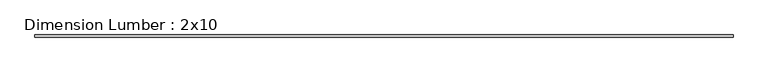
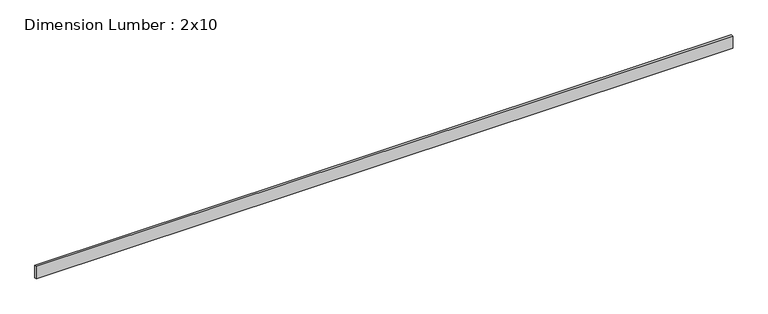
"""IFC4 building model written with IfcOpenShell, lengths in millimetres: beam geometry, Dimension Lumber : 2x10."""

from ifc_helpers import new_model, si_unit, frame, origin, place, context, project, spatial, polyline, outline, extrude, source, transform, mapped, element, save


def dimension_lumber_2x10_86c87d53(model_context):
    return source(origin(), model_context, "Body", "SweptSolid", [
        extrude(outline(polyline([(6266.8761793, 19.05), (6266.8761793, -19.05), (-6266.8761793, -19.05), (-6266.8761793, 19.05), (6266.8761793, 19.05)])), frame((0.0, 0.0, -117.475), z_axis=(0.0, 0.0, 1.0), x_axis=(1.0, 0.0, 0.0)), (0.0, 0.0, 1.0), 234.95),
    ])


if __name__ == "__main__":
    model = new_model("IFC4")
    model_context = context("Model", 3, world=origin())
    ifc_project = project(units=[si_unit("LENGTHUNIT", "METRE", prefix="MILLI")], contexts=[model_context])
    site = spatial("IfcSite", under=ifc_project)
    building = spatial("IfcBuilding", under=site)
    placement = place(None, origin())
    dimension_lumber_2x10_shape = dimension_lumber_2x10_86c87d53(model_context)
    element("IfcBeam", 1, ObjectType="Dimension Lumber : 2x10", at=placement, inside=building, context=model_context, shape_type="MappedRepresentation", body=[
        mapped(dimension_lumber_2x10_shape, transform((0.0, 0.0, 0.0), x_axis=(1.0, 0.0, 0.0), y_axis=(0.0, 1.0, 0.0), z_axis=(0.0, 0.0, 1.0))),
    ])
    save(model, "model.ifc")
